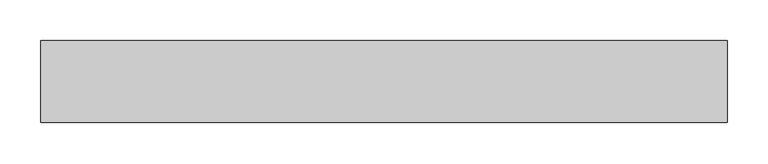
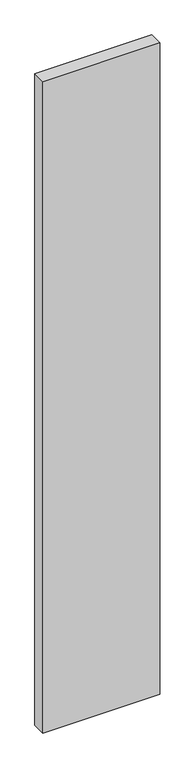
"""IFC4 building model written with IfcOpenShell, lengths in millimetres: proxy geometry."""

from ifc_helpers import new_model, si_unit, frame, origin, place, context, project, spatial, polyline, outline, extrude, source, transform, mapped, element, save


def generic_models_08c3ba4e(model_context):
    return source(origin(), model_context, "Body", "SweptSolid", [
        extrude(outline(polyline([(840.0, 100.0), (840.0, 0.0), (0.0, 0.0), (0.0, 100.0), (840.0, 100.0)])), frame((0.0, 0.0, -4950.0), z_axis=(0.0, 0.0, 1.0), x_axis=(1.0, 0.0, 0.0)), (0.0, 0.0, 1.0), 4950.0),
    ])


if __name__ == "__main__":
    model = new_model("IFC4")
    model_context = context("Model", 3, world=origin())
    ifc_project = project(units=[si_unit("LENGTHUNIT", "METRE", prefix="MILLI")], contexts=[model_context])
    site = spatial("IfcSite", under=ifc_project)
    building = spatial("IfcBuilding", under=site)
    placement = place(None, origin())
    generic_models_shape = generic_models_08c3ba4e(model_context)
    element("IfcBuildingElementProxy", 1, Name="Generic Models", at=placement, inside=building, context=model_context, shape_type="MappedRepresentation", body=[
        mapped(generic_models_shape, transform((0.0, 0.0, 0.0), x_axis=(1.0, 0.0, 0.0), y_axis=(0.0, 1.0, 0.0), z_axis=(0.0, 0.0, 1.0))),
    ])
    save(model, "model.ifc")
